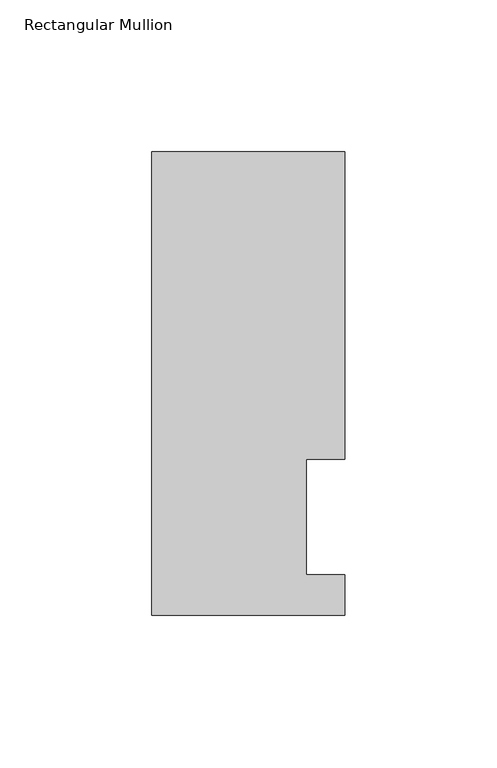
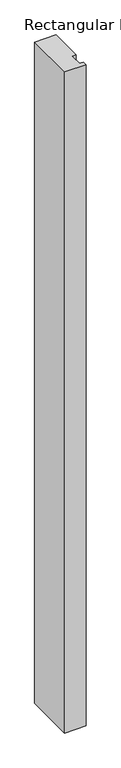
"""IFC4 building model written with IfcOpenShell, lengths in millimetres: member geometry, Rectangular Mullion."""

from ifc_helpers import new_model, si_unit, frame, origin, place, context, project, spatial, polyline, outline, extrude, source, transform, mapped, element, save


def rectangular_mullion_bc31dd5f(model_context):
    return source(origin(), model_context, "Body", "SweptSolid", [
        extrude(outline(polyline([(-31.75, 152.4896938), (31.75, 152.4896938), (31.75, 51.2960938), (19.05, 51.2960938), (19.05, 13.1960938), (31.75, 13.1960938), (31.75, 0.0134938), (-31.75, 0.0134938), (-31.75, 152.4896938)])), frame((0.0, 0.0, -2057.4), z_axis=(0.0, 0.0, 1.0), x_axis=(1.0, 0.0, 0.0)), (0.0, 0.0, 1.0), 2057.4),
    ])


if __name__ == "__main__":
    model = new_model("IFC4")
    model_context = context("Model", 3, world=origin())
    ifc_project = project(units=[si_unit("LENGTHUNIT", "METRE", prefix="MILLI")], contexts=[model_context])
    site = spatial("IfcSite", under=ifc_project)
    building = spatial("IfcBuilding", under=site)
    placement = place(None, origin())
    rectangular_mullion_shape = rectangular_mullion_bc31dd5f(model_context)
    element("IfcMember", 1, ObjectType="Rectangular Mullion", at=placement, inside=building, context=model_context, shape_type="MappedRepresentation", body=[
        mapped(rectangular_mullion_shape, transform((0.0, 0.0, 0.0), x_axis=(1.0, 0.0, 0.0), y_axis=(0.0, 1.0, 0.0), z_axis=(0.0, 0.0, 1.0))),
    ])
    save(model, "model.ifc")
